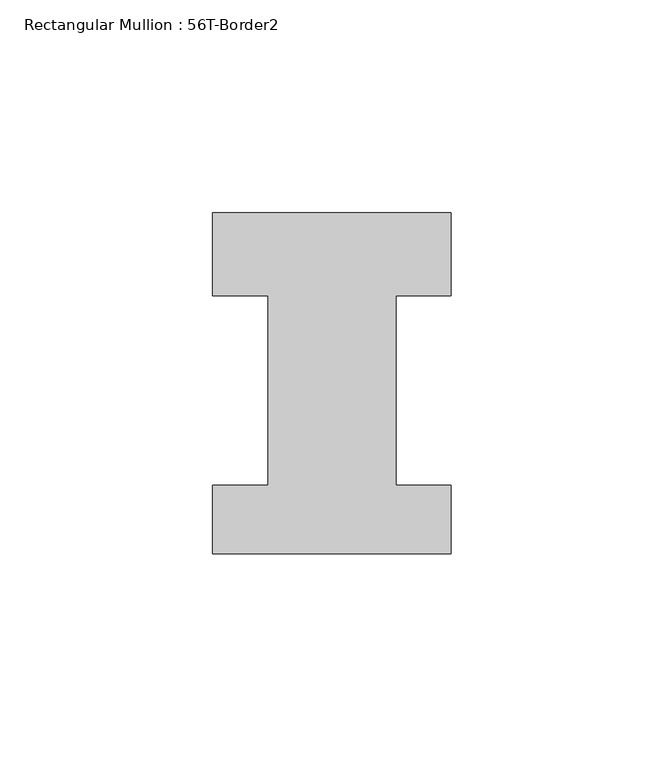
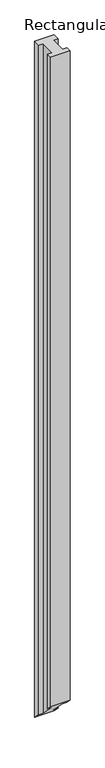
"""IFC4 building model written with IfcOpenShell, lengths in millimetres: member geometry, Rectangular Mullion : 56T-Border2."""

from ifc_helpers import new_model, si_unit, origin, place, context, project, spatial, faceted_brep, source, transform, mapped, element, save


def rectangular_mullion_56t_border2_ee614168(model_context):
    return source(origin(), model_context, "Body", "Brep", [
        faceted_brep([(0.0, 20.0, 0.0), (-56.0, 20.0, 0.0), (-56.0, 0.5, 0.0), (-43.0, 0.5, 0.0), (-43.0, -44.0, 0.0), (-56.0, -44.0, 0.0), (-56.0, -60.0, 0.0), (0.0, -60.0, 0.0), (0.0, -44.0, 0.0), (-13.0, -44.0, 0.0), (-13.0, 0.5, 0.0), (0.0, 0.5, 0.0), (0.0, 20.0, -2056.0), (-56.0, 20.0, -2056.0), (-56.0, 0.5, -2036.5), (-43.0, 0.5, -2036.5), (-43.0, -44.0, -1992.0), (-56.0, -44.0, -1992.0), (-56.0, -60.0, -1976.0), (0.0, -60.0, -1976.0), (0.0, -44.0, -1992.0), (-13.0, -44.0, -1992.0), (-13.0, 0.5, -2036.5), (0.0, 0.5, -2036.5)], [[[0, 1, 2, 3, 4, 5, 6, 7, 8, 9, 10, 11]], [[1, 0, 12, 13]], [[2, 1, 13, 14]], [[3, 2, 14, 15]], [[4, 3, 15, 16]], [[5, 4, 16, 17]], [[6, 5, 17, 18]], [[7, 6, 18, 19]], [[8, 7, 19, 20]], [[9, 8, 20, 21]], [[10, 9, 21, 22]], [[11, 10, 22, 23]], [[0, 11, 23, 12]], [[12, 23, 22, 21, 20, 19, 18, 17, 16, 15, 14, 13]]]),
    ])


if __name__ == "__main__":
    model = new_model("IFC4")
    model_context = context("Model", 3, world=origin())
    ifc_project = project(units=[si_unit("LENGTHUNIT", "METRE", prefix="MILLI")], contexts=[model_context])
    site = spatial("IfcSite", under=ifc_project)
    building = spatial("IfcBuilding", under=site)
    placement = place(None, origin())
    rectangular_mullion_56t_border2_shape = rectangular_mullion_56t_border2_ee614168(model_context)
    element("IfcMember", 1, ObjectType="Rectangular Mullion : 56T-Border2", at=placement, inside=building, context=model_context, shape_type="MappedRepresentation", body=[
        mapped(rectangular_mullion_56t_border2_shape, transform((0.0, 0.0, 0.0), x_axis=(1.0, 0.0, 0.0), y_axis=(0.0, 1.0, 0.0), z_axis=(0.0, 0.0, 1.0))),
    ])
    save(model, "model.ifc")
